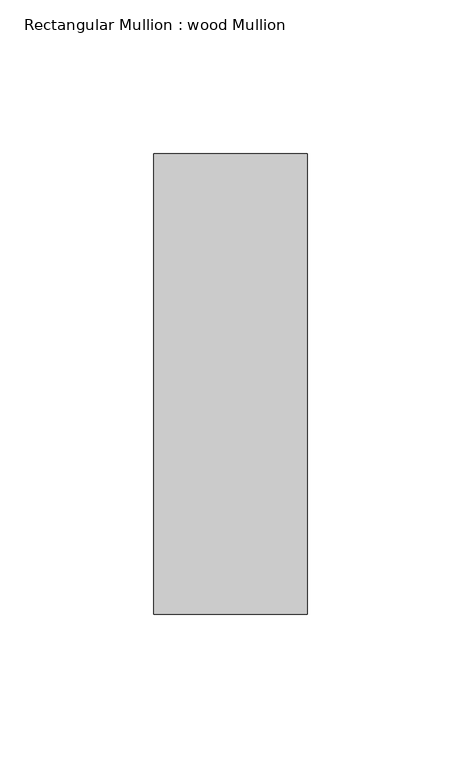
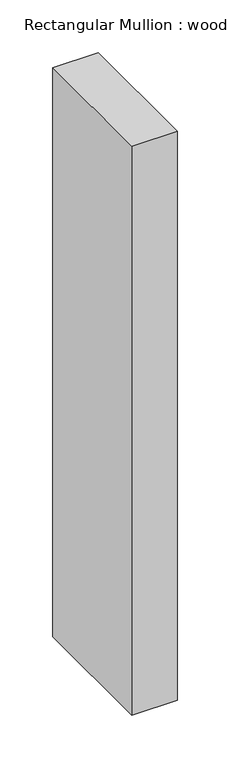
"""IFC4 building model written with IfcOpenShell, lengths in millimetres: member geometry, Rectangular Mullion : wood Mullion."""

from ifc_helpers import new_model, si_unit, frame, origin, place, context, project, spatial, polyline, outline, extrude, source, transform, mapped, element, save


def rectangular_mullion_wood_mullion_fb08ddc9(model_context):
    return source(origin(), model_context, "Body", "SweptSolid", [
        extrude(outline(polyline([(0.0, 75.0), (0.0, -75.0), (-50.0, -75.0), (-50.0, 75.0), (0.0, 75.0)])), frame((0.0, 0.0, -660.3363703), z_axis=(0.0, 0.0, 1.0), x_axis=(1.0, 0.0, 0.0)), (0.0, 0.0, 1.0), 660.3363703),
    ])


if __name__ == "__main__":
    model = new_model("IFC4")
    model_context = context("Model", 3, world=origin())
    ifc_project = project(units=[si_unit("LENGTHUNIT", "METRE", prefix="MILLI")], contexts=[model_context])
    site = spatial("IfcSite", under=ifc_project)
    building = spatial("IfcBuilding", under=site)
    placement = place(None, origin())
    rectangular_mullion_wood_mullion_shape = rectangular_mullion_wood_mullion_fb08ddc9(model_context)
    element("IfcMember", 1, ObjectType="Rectangular Mullion : wood Mullion", at=placement, inside=building, context=model_context, shape_type="MappedRepresentation", body=[
        mapped(rectangular_mullion_wood_mullion_shape, transform((0.0, 0.0, 0.0), x_axis=(1.0, 0.0, 0.0), y_axis=(0.0, 1.0, 0.0), z_axis=(0.0, 0.0, 1.0))),
    ])
    save(model, "model.ifc")
